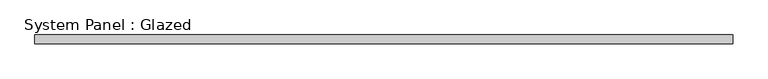
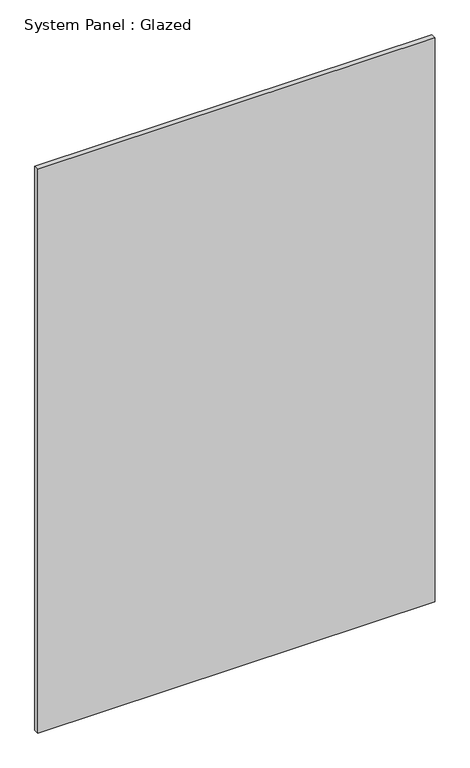
"""IFC4 building model written with IfcOpenShell, lengths in millimetres: plate geometry, System Panel : Glazed."""

import ifcopenshell
import ifcopenshell.guid

model = None  # the IFC model being written
_history = None  # IfcOwnerHistory: only IFC2X3 demands one
_inside = {}  # id of a spatial element -> (the spatial element, [elements in it])
_under = {}  # id of a project, library or spatial element -> (it, [spatial elements below it])
_declared = {}  # id of a project -> (the project, [libraries it declares])
_typed = {}  # id of a type object -> (the type object, [elements of that type])
_made_of = {}  # id of a material, layer set ... -> (it, [elements and type objects made of it])


def new_model(schema):
    """Start an empty IFC model of exactly this schema.

    Asked for "IFC4X3", IfcOpenShell would pick the latest addendum, in which some entities
    have other attributes; the version numbers below select the first issue.
    IFC2X3 requires an IfcOwnerHistory on every rooted entity: one is made here for all.
    """
    global model, _history
    if schema == "IFC4X3":
        model = ifcopenshell.file(schema_version=(4, 3, 0, 0))
    else:
        model = ifcopenshell.file(schema=schema)
    _inside.clear()
    _under.clear()
    _declared.clear()
    _typed.clear()
    _made_of.clear()
    _history = None
    if model.schema == "IFC2X3":
        org = make("IfcOrganization", Name="unknown")
        user = make(
            "IfcPersonAndOrganization",
            ThePerson=make("IfcPerson", FamilyName="unknown"),
            TheOrganization=org,
        )
        app = make(
            "IfcApplication",
            ApplicationDeveloper=org,
            Version="unknown",
            ApplicationFullName="unknown",
            ApplicationIdentifier="unknown",
        )
        _history = make(
            "IfcOwnerHistory",
            OwningUser=user,
            OwningApplication=app,
            ChangeAction="ADDED",
            CreationDate=0,
        )
    return model


def make(cls, **values):
    """One entity of the class cls with the attributes given. An attribute that is None is left unset."""
    return model.create_entity(
        cls, **{name: value for name, value in values.items() if value is not None}
    )


def rooted(cls, **values):
    """An entity with a GlobalId (a new one), such as an element, a storey or a relation."""
    return make(cls, GlobalId=ifcopenshell.guid.new(), OwnerHistory=_history, **values)


def si_unit(unit_type, name, prefix=None):
    """IfcSIUnit, for example si_unit("LENGTHUNIT", "METRE", prefix="MILLI")."""
    return make("IfcSIUnit", UnitType=unit_type, Prefix=prefix, Name=name)


def assignment(units):
    """IfcUnitAssignment: the units of a project."""
    return None if units is None else make("IfcUnitAssignment", Units=units)


def point(xyz):
    """IfcCartesianPoint."""
    return None if xyz is None else make("IfcCartesianPoint", Coordinates=xyz)


def direction(xyz):
    """IfcDirection."""
    return None if xyz is None else make("IfcDirection", DirectionRatios=xyz)


def frame(location, z_axis=None, x_axis=None):
    """IfcAxis2Placement3D, a coordinate frame: its origin and axes. An axis left out is left unset."""
    return make(
        "IfcAxis2Placement3D",
        Location=point(location),
        Axis=direction(z_axis),
        RefDirection=direction(x_axis),
    )


def origin():
    """The frame at (0, 0, 0) with its axes left unset."""
    return frame((0.0, 0.0, 0.0))


def origin_with_axes():
    """The frame at (0, 0, 0) with the z axis (0, 0, 1) and the x axis (1, 0, 0) written out."""
    return frame((0.0, 0.0, 0.0), z_axis=(0.0, 0.0, 1.0), x_axis=(1.0, 0.0, 0.0))


def place(relative_to, where):
    """IfcLocalPlacement: puts the frame where relative to a parent placement (None: the world)."""
    return make(
        "IfcLocalPlacement", PlacementRelTo=relative_to, RelativePlacement=where
    )


def context(
    kind, dimensions, precision=None, world=None, true_north=None, identifier=None
):
    """IfcGeometricRepresentationContext, for example the 3D "Model" context."""
    return make(
        "IfcGeometricRepresentationContext",
        ContextIdentifier=identifier,
        ContextType=kind,
        CoordinateSpaceDimension=dimensions,
        Precision=precision,
        WorldCoordinateSystem=world,
        TrueNorth=true_north,
    )


def project(units=None, contexts=None):
    """IfcProject with its units and contexts."""
    return rooted(
        "IfcProject",
        Name="project",
        RepresentationContexts=contexts,
        UnitsInContext=assignment(units),
    )


def spatial(cls, under=None, at=None, **own):
    """A site, building, storey or space (cls), placed at a placement, below another one or the project."""
    s = rooted(cls, ObjectPlacement=at, **own)
    if under is not None:
        _under.setdefault(under.id(), (under, []))[1].append(s)
    return s


def polyline(points):
    """IfcPolyline through the points."""
    return make("IfcPolyline", Points=[point(p) for p in points])


def outline(outer, holes=None, kind="AREA"):
    """IfcArbitraryClosedProfileDef: a profile drawn as a closed curve; with holes, ...WithVoids."""
    if holes is None:
        return make("IfcArbitraryClosedProfileDef", ProfileType=kind, OuterCurve=outer)
    return make(
        "IfcArbitraryProfileDefWithVoids",
        ProfileType=kind,
        OuterCurve=outer,
        InnerCurves=holes,
    )


def extrude(swept, where, along, depth):
    """IfcExtrudedAreaSolid: the profile swept, set in the frame where, extruded along a direction by depth."""
    return make(
        "IfcExtrudedAreaSolid",
        SweptArea=swept,
        Position=where,
        ExtrudedDirection=direction(along),
        Depth=depth,
    )


def shape(context_of_items, identifier, shape_type, items):
    """IfcShapeRepresentation: the items that make up one representation, for example the "Body"."""
    return make(
        "IfcShapeRepresentation",
        ContextOfItems=context_of_items,
        RepresentationIdentifier=identifier,
        RepresentationType=shape_type,
        Items=items,
    )


def source(mapping_origin, context_of_items, identifier, shape_type, items):
    """IfcRepresentationMap: a shape defined once, which mapped items show again and again."""
    return make(
        "IfcRepresentationMap",
        MappingOrigin=mapping_origin,
        MappedRepresentation=shape(context_of_items, identifier, shape_type, items),
    )


def transform(
    local_origin,
    x_axis=None,
    y_axis=None,
    z_axis=None,
    scale=None,
    scale2=None,
    scale3=None,
    uniform=True,
):
    """IfcCartesianTransformationOperator3D, or its non-uniform kind. x_axis, y_axis, z_axis: its Axis1, 2, 3."""
    if uniform:
        return make(
            "IfcCartesianTransformationOperator3D",
            Axis1=direction(x_axis),
            Axis2=direction(y_axis),
            LocalOrigin=point(local_origin),
            Scale=scale,
            Axis3=direction(z_axis),
        )
    return make(
        "IfcCartesianTransformationOperator3DnonUniform",
        Axis1=direction(x_axis),
        Axis2=direction(y_axis),
        LocalOrigin=point(local_origin),
        Scale=scale,
        Axis3=direction(z_axis),
        Scale2=scale2,
        Scale3=scale3,
    )


def mapped(mapping_source, mapping_target):
    """IfcMappedItem: shows the shape of a source again, moved by a transform."""
    return make(
        "IfcMappedItem", MappingSource=mapping_source, MappingTarget=mapping_target
    )


def made_of(thing, what):
    """Note that an element or type object is made of a material, layer set ...; save() writes the relation."""
    if what is not None:
        _made_of.setdefault(what.id(), (what, []))[1].append(thing)
    return thing


def element(
    cls,
    number,
    at=None,
    inside=None,
    cuts=None,
    type_object=None,
    material=None,
    context=None,
    identifier="Body",
    shape_type=None,
    held_by="IfcProductDefinitionShape",
    body=None,
    shapes=None,
    **own,
):
    """One element of the class cls, such as IfcWall. Its Tag is "e" and its number.

    at: its placement. inside: the storey or other place that contains it. cuts: it is an
    opening in that element (IfcRelVoidsElement). A single representation is given by context,
    identifier, shape_type and body (its items); several are given by shapes. held_by: the class
    of the entity that holds the representations. save() writes the other relations.
    """
    e = rooted(cls, Tag="e%d" % number, ObjectPlacement=at, **own)
    if body is not None:
        shapes = [shape(context, identifier, shape_type, body)]
    if shapes is not None:
        e.Representation = make(held_by, Representations=shapes)
    if inside is not None:
        _inside.setdefault(inside.id(), (inside, []))[1].append(e)
    if cuts is not None:
        rooted(
            "IfcRelVoidsElement", RelatingBuildingElement=cuts, RelatedOpeningElement=e
        )
    if type_object is not None:
        _typed.setdefault(type_object.id(), (type_object, []))[1].append(e)
    return made_of(e, material)


def aggregate(whole, parts):
    """IfcRelAggregates: a whole, such as a stair, and the parts it consists of."""
    return rooted("IfcRelAggregates", RelatingObject=whole, RelatedObjects=parts)


def save(model, path):
    """Write the relations noted so far, then the file.

    IfcRelAggregates (storeys below a building ...), IfcRelContainedInSpatialStructure (elements
    in a storey), IfcRelDefinesByType, IfcRelAssociatesMaterial and IfcRelDeclares: one each for
    every whole, place, type object, material and project.
    """
    for whole, parts in _under.values():
        aggregate(whole, parts)
    for where, things in _inside.values():
        rooted(
            "IfcRelContainedInSpatialStructure",
            RelatedElements=things,
            RelatingStructure=where,
        )
    for kind, things in _typed.values():
        rooted("IfcRelDefinesByType", RelatedObjects=things, RelatingType=kind)
    for what, things in _made_of.values():
        rooted("IfcRelAssociatesMaterial", RelatedObjects=things, RelatingMaterial=what)
    for by, libraries in _declared.values():
        rooted("IfcRelDeclares", RelatingContext=by, RelatedDefinitions=libraries)
    model.write(path)


def system_panel_glazed_90a8c6c8(model_context):
    return source(origin(), model_context, "Body", "SweptSolid", [
        extrude(outline(polyline([(1000.0, 24.5), (-1000.0, 24.5), (-1000.0, 49.5), (1000.0, 49.5), (1000.0, 24.5)])), origin_with_axes(), (0.0, 0.0, 1.0), 3000.0),
    ])


if __name__ == "__main__":
    model = new_model("IFC4")
    model_context = context("Model", 3, world=origin())
    ifc_project = project(units=[si_unit("LENGTHUNIT", "METRE", prefix="MILLI")], contexts=[model_context])
    site = spatial("IfcSite", under=ifc_project)
    building = spatial("IfcBuilding", under=site)
    placement = place(None, origin())
    system_panel_glazed_shape = system_panel_glazed_90a8c6c8(model_context)
    element("IfcPlate", 1, ObjectType="System Panel : Glazed", at=placement, inside=building, context=model_context, shape_type="MappedRepresentation", body=[
        mapped(system_panel_glazed_shape, transform((0.0, 0.0, 0.0), x_axis=(1.0, 0.0, 0.0), y_axis=(0.0, 1.0, 0.0), z_axis=(0.0, 0.0, 1.0))),
    ])
    save(model, "model.ifc")
